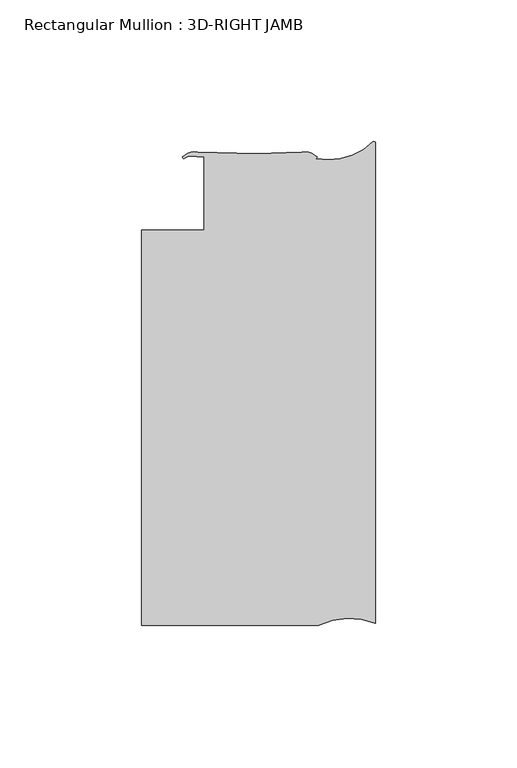
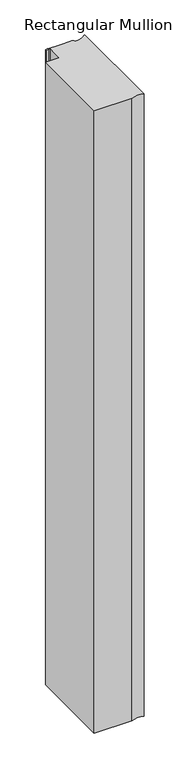
"""IFC4 building model written with IfcOpenShell, lengths in millimetres: member geometry, Rectangular Mullion : 3D-RIGHT JAMB."""

from ifc_helpers import new_model, si_unit, point, frame, frame_2d, origin, place, context, project, spatial, polyline, circle_curve, trimmed, segment, composite_curve, outline, extrude, source, transform, mapped, element, save


def rectangular_mullion_3d_right_jamb_f49503a4(model_context):
    return source(origin(), model_context, "Body", "SweptSolid", [
        extrude(outline(composite_curve([segment(polyline([(-20.0963261, -167.6168773), (-82.7624924, -167.6168773), (-82.7624924, -27.9168823), (-60.5419882, -27.9168823), (-60.5419882, -1.8829687), (-63.0963214, -1.8102896)]), True, "CONTINUOUS"), segment(trimmed(circle_curve(frame_2d((-64.5495981, -7.5446446)), 5.9156437), [point((-63.0963214, -1.8102896))], [point((-67.5034782, -2.4192732))], True, "CARTESIAN"), True, "CONTINUOUS"), segment(trimmed(circle_curve(frame_2d((-67.7627315, -2.0944019)), 0.4156364), [point((-67.5034782, -2.4192732))], [point((-68.0818732, -1.8281273))], False, "CARTESIAN"), True, "CONTINUOUS"), segment(trimmed(circle_curve(frame_2d((-64.0102162, -6.1095567)), 5.9083862), [point((-68.0818732, -1.8281273))], [point((-62.9891992, -0.2900591))], False, "CARTESIAN"), True, "CONTINUOUS"), segment(polyline([(-62.9891992, -0.2900591), (-42.2708685, -0.8565602), (-25.9390512, -0.368936)]), True, "CONTINUOUS"), segment(trimmed(circle_curve(frame_2d((-24.8202291, -6.1960766)), 5.9335766), [point((-25.9390512, -0.368936))], [point((-20.8094174, -1.823352))], False, "CARTESIAN"), True, "CONTINUOUS"), segment(trimmed(circle_curve(frame_2d((-21.1241586, -2.0948139)), 0.4156364), [point((-20.8094174, -1.823352))], [point((-21.1155372, -2.5103609))], False, "CARTESIAN"), True, "CONTINUOUS"), segment(trimmed(circle_curve(frame_2d((-16.3790646, 18.7220367)), 21.7542841), [point((-21.1155372, -2.5103609))], [point((-0.9068806, 3.4295418))], True, "CARTESIAN"), True, "CONTINUOUS"), segment(trimmed(circle_curve(frame_2d((-0.635, 2.85569)), 0.635), [point((-0.9068806, 3.4295418))], [point((0.0, 2.85569))], False, "CARTESIAN"), True, "CONTINUOUS"), segment(polyline([(0.0, 2.85569), (0.0, -166.9021807)]), True, "CONTINUOUS"), segment(trimmed(circle_curve(frame_2d((-9.2332881, -190.172742)), 25.0354275), [point((0.0, -166.9021807))], [point((-20.0963261, -167.6168773))], True, "CARTESIAN"), True, "CONTINUOUS")], self_intersect=False)), frame((0.0, 0.0, -1091.7103332), z_axis=(0.0, 0.0, 1.0), x_axis=(1.0, 0.0, 0.0)), (0.0, 0.0, 1.0), 1091.7103332),
    ])


if __name__ == "__main__":
    model = new_model("IFC4")
    model_context = context("Model", 3, world=origin())
    ifc_project = project(units=[si_unit("LENGTHUNIT", "METRE", prefix="MILLI")], contexts=[model_context])
    site = spatial("IfcSite", under=ifc_project)
    building = spatial("IfcBuilding", under=site)
    placement = place(None, origin())
    rectangular_mullion_3d_right_jamb_shape = rectangular_mullion_3d_right_jamb_f49503a4(model_context)
    element("IfcMember", 1, ObjectType="Rectangular Mullion : 3D-RIGHT JAMB", at=placement, inside=building, context=model_context, shape_type="MappedRepresentation", body=[
        mapped(rectangular_mullion_3d_right_jamb_shape, transform((0.0, 0.0, 0.0), x_axis=(1.0, 0.0, 0.0), y_axis=(0.0, 1.0, 0.0), z_axis=(0.0, 0.0, 1.0))),
    ])
    save(model, "model.ifc")
